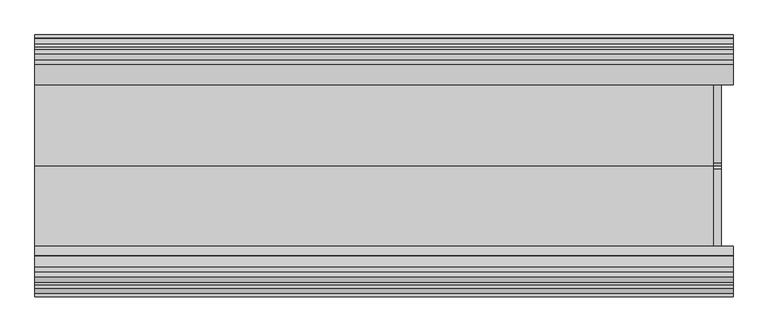
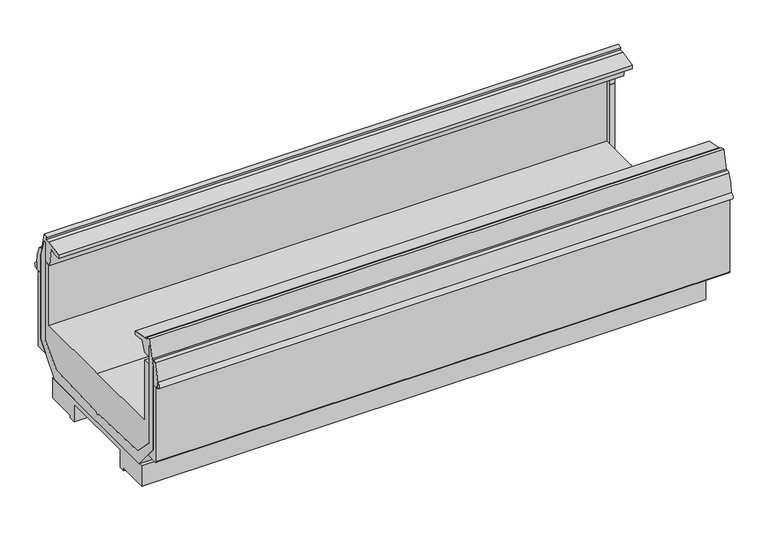
"""IFC4 building model written with IfcOpenShell, lengths in millimetres: proxy geometry."""

import ifcopenshell
import ifcopenshell.guid

model = None  # the IFC model being written
_history = None  # IfcOwnerHistory: only IFC2X3 demands one
_inside = {}  # id of a spatial element -> (the spatial element, [elements in it])
_under = {}  # id of a project, library or spatial element -> (it, [spatial elements below it])
_declared = {}  # id of a project -> (the project, [libraries it declares])
_typed = {}  # id of a type object -> (the type object, [elements of that type])
_made_of = {}  # id of a material, layer set ... -> (it, [elements and type objects made of it])


def new_model(schema):
    """Start an empty IFC model of exactly this schema.

    Asked for "IFC4X3", IfcOpenShell would pick the latest addendum, in which some entities
    have other attributes; the version numbers below select the first issue.
    IFC2X3 requires an IfcOwnerHistory on every rooted entity: one is made here for all.
    """
    global model, _history
    if schema == "IFC4X3":
        model = ifcopenshell.file(schema_version=(4, 3, 0, 0))
    else:
        model = ifcopenshell.file(schema=schema)
    _inside.clear()
    _under.clear()
    _declared.clear()
    _typed.clear()
    _made_of.clear()
    _history = None
    if model.schema == "IFC2X3":
        org = make("IfcOrganization", Name="unknown")
        user = make(
            "IfcPersonAndOrganization",
            ThePerson=make("IfcPerson", FamilyName="unknown"),
            TheOrganization=org,
        )
        app = make(
            "IfcApplication",
            ApplicationDeveloper=org,
            Version="unknown",
            ApplicationFullName="unknown",
            ApplicationIdentifier="unknown",
        )
        _history = make(
            "IfcOwnerHistory",
            OwningUser=user,
            OwningApplication=app,
            ChangeAction="ADDED",
            CreationDate=0,
        )
    return model


def make(cls, **values):
    """One entity of the class cls with the attributes given. An attribute that is None is left unset."""
    return model.create_entity(
        cls, **{name: value for name, value in values.items() if value is not None}
    )


def rooted(cls, **values):
    """An entity with a GlobalId (a new one), such as an element, a storey or a relation."""
    return make(cls, GlobalId=ifcopenshell.guid.new(), OwnerHistory=_history, **values)


def si_unit(unit_type, name, prefix=None):
    """IfcSIUnit, for example si_unit("LENGTHUNIT", "METRE", prefix="MILLI")."""
    return make("IfcSIUnit", UnitType=unit_type, Prefix=prefix, Name=name)


def assignment(units):
    """IfcUnitAssignment: the units of a project."""
    return None if units is None else make("IfcUnitAssignment", Units=units)


def point(xyz):
    """IfcCartesianPoint."""
    return None if xyz is None else make("IfcCartesianPoint", Coordinates=xyz)


def direction(xyz):
    """IfcDirection."""
    return None if xyz is None else make("IfcDirection", DirectionRatios=xyz)


def frame(location, z_axis=None, x_axis=None):
    """IfcAxis2Placement3D, a coordinate frame: its origin and axes. An axis left out is left unset."""
    return make(
        "IfcAxis2Placement3D",
        Location=point(location),
        Axis=direction(z_axis),
        RefDirection=direction(x_axis),
    )


def frame_2d(location, x_axis=None):
    """IfcAxis2Placement2D, a coordinate frame in the plane: its origin and x axis."""
    return make(
        "IfcAxis2Placement2D", Location=point(location), RefDirection=direction(x_axis)
    )


def origin():
    """The frame at (0, 0, 0) with its axes left unset."""
    return frame((0.0, 0.0, 0.0))


def origin_with_axes():
    """The frame at (0, 0, 0) with the z axis (0, 0, 1) and the x axis (1, 0, 0) written out."""
    return frame((0.0, 0.0, 0.0), z_axis=(0.0, 0.0, 1.0), x_axis=(1.0, 0.0, 0.0))


def place(relative_to, where):
    """IfcLocalPlacement: puts the frame where relative to a parent placement (None: the world)."""
    return make(
        "IfcLocalPlacement", PlacementRelTo=relative_to, RelativePlacement=where
    )


def context(
    kind, dimensions, precision=None, world=None, true_north=None, identifier=None
):
    """IfcGeometricRepresentationContext, for example the 3D "Model" context."""
    return make(
        "IfcGeometricRepresentationContext",
        ContextIdentifier=identifier,
        ContextType=kind,
        CoordinateSpaceDimension=dimensions,
        Precision=precision,
        WorldCoordinateSystem=world,
        TrueNorth=true_north,
    )


def project(units=None, contexts=None):
    """IfcProject with its units and contexts."""
    return rooted(
        "IfcProject",
        Name="project",
        RepresentationContexts=contexts,
        UnitsInContext=assignment(units),
    )


def spatial(cls, under=None, at=None, **own):
    """A site, building, storey or space (cls), placed at a placement, below another one or the project."""
    s = rooted(cls, ObjectPlacement=at, **own)
    if under is not None:
        _under.setdefault(under.id(), (under, []))[1].append(s)
    return s


def polyline(points):
    """IfcPolyline through the points."""
    return make("IfcPolyline", Points=[point(p) for p in points])


def circle_curve(where, radius):
    """IfcCircle in the frame where."""
    return make("IfcCircle", Position=where, Radius=radius)


def trimmed(basis, trim1, trim2, sense, master):
    """IfcTrimmedCurve: the piece of a basis curve between two trims."""
    return make(
        "IfcTrimmedCurve",
        BasisCurve=basis,
        Trim1=trim1,
        Trim2=trim2,
        SenseAgreement=sense,
        MasterRepresentation=master,
    )


def segment(curve, same_sense, transition):
    """IfcCompositeCurveSegment."""
    return make(
        "IfcCompositeCurveSegment",
        Transition=transition,
        SameSense=same_sense,
        ParentCurve=curve,
    )


def composite_curve(segments, self_intersect=None):
    """IfcCompositeCurve: segments joined end to end."""
    return make("IfcCompositeCurve", Segments=segments, SelfIntersect=self_intersect)


def outline(outer, holes=None, kind="AREA"):
    """IfcArbitraryClosedProfileDef: a profile drawn as a closed curve; with holes, ...WithVoids."""
    if holes is None:
        return make("IfcArbitraryClosedProfileDef", ProfileType=kind, OuterCurve=outer)
    return make(
        "IfcArbitraryProfileDefWithVoids",
        ProfileType=kind,
        OuterCurve=outer,
        InnerCurves=holes,
    )


def extrude(swept, where, along, depth):
    """IfcExtrudedAreaSolid: the profile swept, set in the frame where, extruded along a direction by depth."""
    return make(
        "IfcExtrudedAreaSolid",
        SweptArea=swept,
        Position=where,
        ExtrudedDirection=direction(along),
        Depth=depth,
    )


def shape(context_of_items, identifier, shape_type, items):
    """IfcShapeRepresentation: the items that make up one representation, for example the "Body"."""
    return make(
        "IfcShapeRepresentation",
        ContextOfItems=context_of_items,
        RepresentationIdentifier=identifier,
        RepresentationType=shape_type,
        Items=items,
    )


def source(mapping_origin, context_of_items, identifier, shape_type, items):
    """IfcRepresentationMap: a shape defined once, which mapped items show again and again."""
    return make(
        "IfcRepresentationMap",
        MappingOrigin=mapping_origin,
        MappedRepresentation=shape(context_of_items, identifier, shape_type, items),
    )


def transform(
    local_origin,
    x_axis=None,
    y_axis=None,
    z_axis=None,
    scale=None,
    scale2=None,
    scale3=None,
    uniform=True,
):
    """IfcCartesianTransformationOperator3D, or its non-uniform kind. x_axis, y_axis, z_axis: its Axis1, 2, 3."""
    if uniform:
        return make(
            "IfcCartesianTransformationOperator3D",
            Axis1=direction(x_axis),
            Axis2=direction(y_axis),
            LocalOrigin=point(local_origin),
            Scale=scale,
            Axis3=direction(z_axis),
        )
    return make(
        "IfcCartesianTransformationOperator3DnonUniform",
        Axis1=direction(x_axis),
        Axis2=direction(y_axis),
        LocalOrigin=point(local_origin),
        Scale=scale,
        Axis3=direction(z_axis),
        Scale2=scale2,
        Scale3=scale3,
    )


def mapped(mapping_source, mapping_target):
    """IfcMappedItem: shows the shape of a source again, moved by a transform."""
    return make(
        "IfcMappedItem", MappingSource=mapping_source, MappingTarget=mapping_target
    )


def made_of(thing, what):
    """Note that an element or type object is made of a material, layer set ...; save() writes the relation."""
    if what is not None:
        _made_of.setdefault(what.id(), (what, []))[1].append(thing)
    return thing


def element(
    cls,
    number,
    at=None,
    inside=None,
    cuts=None,
    type_object=None,
    material=None,
    context=None,
    identifier="Body",
    shape_type=None,
    held_by="IfcProductDefinitionShape",
    body=None,
    shapes=None,
    **own,
):
    """One element of the class cls, such as IfcWall. Its Tag is "e" and its number.

    at: its placement. inside: the storey or other place that contains it. cuts: it is an
    opening in that element (IfcRelVoidsElement). A single representation is given by context,
    identifier, shape_type and body (its items); several are given by shapes. held_by: the class
    of the entity that holds the representations. save() writes the other relations.
    """
    e = rooted(cls, Tag="e%d" % number, ObjectPlacement=at, **own)
    if body is not None:
        shapes = [shape(context, identifier, shape_type, body)]
    if shapes is not None:
        e.Representation = make(held_by, Representations=shapes)
    if inside is not None:
        _inside.setdefault(inside.id(), (inside, []))[1].append(e)
    if cuts is not None:
        rooted(
            "IfcRelVoidsElement", RelatingBuildingElement=cuts, RelatedOpeningElement=e
        )
    if type_object is not None:
        _typed.setdefault(type_object.id(), (type_object, []))[1].append(e)
    return made_of(e, material)


def aggregate(whole, parts):
    """IfcRelAggregates: a whole, such as a stair, and the parts it consists of."""
    return rooted("IfcRelAggregates", RelatingObject=whole, RelatedObjects=parts)


def save(model, path):
    """Write the relations noted so far, then the file.

    IfcRelAggregates (storeys below a building ...), IfcRelContainedInSpatialStructure (elements
    in a storey), IfcRelDefinesByType, IfcRelAssociatesMaterial and IfcRelDeclares: one each for
    every whole, place, type object, material and project.
    """
    for whole, parts in _under.values():
        aggregate(whole, parts)
    for where, things in _inside.values():
        rooted(
            "IfcRelContainedInSpatialStructure",
            RelatedElements=things,
            RelatingStructure=where,
        )
    for kind, things in _typed.values():
        rooted("IfcRelDefinesByType", RelatedObjects=things, RelatingType=kind)
    for what, things in _made_of.values():
        rooted("IfcRelAssociatesMaterial", RelatedObjects=things, RelatingMaterial=what)
    for by, libraries in _declared.values():
        rooted("IfcRelDeclares", RelatingContext=by, RelatedDefinitions=libraries)
    model.write(path)


def plane_surface(at):
    """IfcPlane: the flat surface through the origin of the frame at, square to its z axis."""
    return make("IfcPlane", Position=at)


def revolved_surface(curve, axis_point, axis_direction):
    """IfcSurfaceOfRevolution: the curve turned about the line through axis_point along axis_direction."""
    return make(
        "IfcSurfaceOfRevolution",
        SweptCurve=make("IfcArbitraryOpenProfileDef", ProfileType="CURVE", Curve=curve),
        AxisPosition=make("IfcAxis1Placement", Location=point(axis_point), Axis=direction(axis_direction)),
    )


def advanced_brep(points, edges, surfaces, faces):
    """IfcAdvancedBrep: a solid bounded by faces that lie on surfaces and meet in shared edges.

    An edge is (start, end): straight between two places in points (the first is 0);
    or (start, end, curve); or (start, end, curve, False) where it runs against its curve.
    A face is (place in surfaces, loops), or (place, loops, False) where it looks against
    its surface's normal. A loop lists edges by number (the first is 1), with a minus sign
    where the edge is run from its end to its start. The first loop is the outer one.
    """
    corners = [point(p) for p in points]
    vertices = [make("IfcVertexPoint", VertexGeometry=c) for c in corners]
    made = []
    for start, end, *more in edges:
        made.append(
            make(
                "IfcEdgeCurve",
                EdgeStart=vertices[start],
                EdgeEnd=vertices[end],
                EdgeGeometry=more[0] if more else make("IfcPolyline", Points=[corners[start], corners[end]]),
                SameSense=more[1] if len(more) > 1 else True,
            )
        )
    hull = []
    for where, loops, *sense in faces:
        bounds = []
        for j, loop in enumerate(loops):
            ring = [make("IfcOrientedEdge", EdgeElement=made[abs(k) - 1], Orientation=k > 0) for k in loop]
            bounds.append(
                make(
                    "IfcFaceOuterBound" if j == 0 else "IfcFaceBound",
                    Bound=make("IfcEdgeLoop", EdgeList=ring),
                    Orientation=True,
                )
            )
        hull.append(make("IfcAdvancedFace", Bounds=bounds, FaceSurface=surfaces[where], SameSense=sense[0] if sense else True))
    return make("IfcAdvancedBrep", Outer=make("IfcClosedShell", CfsFaces=hull))


def mechanical_equipment_d4f563e0(model_context):
    return source(origin(), model_context, "Body", "SolidModel", [
        extrude(outline(composite_curve([segment(trimmed(circle_curve(frame_2d((1524.0, -1281.6322635)), 19.05), [point((1504.95, -1281.6322635))], [point((1543.05, -1281.6322635))], False, "CARTESIAN"), True, "CONTINUOUS"), segment(trimmed(circle_curve(frame_2d((1524.0, -1281.6322635)), 19.05), [point((1543.05, -1281.6322635))], [point((1504.95, -1281.6322635))], False, "CARTESIAN"), True, "CONTINUOUS")], self_intersect=False)), origin_with_axes(), (0.0, 0.0, 1.0), 127.0),
        extrude(outline(composite_curve([segment(trimmed(circle_curve(frame_2d((2895.6, -1164.9510135)), 11.1125), [point((2884.4875, -1164.9510135))], [point((2906.7125, -1164.9510135))], False, "CARTESIAN"), True, "CONTINUOUS"), segment(trimmed(circle_curve(frame_2d((2895.6, -1164.9510135)), 11.1125), [point((2906.7125, -1164.9510135))], [point((2884.4875, -1164.9510135))], False, "CARTESIAN"), True, "CONTINUOUS")], self_intersect=False)), origin_with_axes(), (0.0, 0.0, 1.0), 127.0),
        extrude(outline(composite_curve([segment(trimmed(circle_curve(frame_2d((2870.2, -1164.9510135)), 4.7625), [point((2865.4375, -1164.9510135))], [point((2874.9625, -1164.9510135))], False, "CARTESIAN"), True, "CONTINUOUS"), segment(trimmed(circle_curve(frame_2d((2870.2, -1164.9510135)), 4.7625), [point((2874.9625, -1164.9510135))], [point((2865.4375, -1164.9510135))], False, "CARTESIAN"), True, "CONTINUOUS")], self_intersect=False)), origin_with_axes(), (0.0, 0.0, 1.0), 127.0),
        extrude(outline(polyline([(-1408.0824708, 846.9650015), (-1399.567809, 846.9650015), (-1399.567809, 298.2301562), (-1293.5698661, 190.5), (-935.3372007, 177.5337806), (-920.5071273, 163.4842373), (-905.6770539, 177.5337806), (-547.4443885, 190.5), (-441.4464456, 298.2301562), (-441.4464456, 846.9650015), (-432.9317838, 846.9650015), (-414.7836621, 789.5616491), (-403.0848407, 752.5577332), (-403.0848407, 282.2978872), (-449.8127732, 226.1000374), (-532.2134322, 127.0), (-1308.8008224, 127.0), (-1391.2014814, 226.1000374), (-1437.9294139, 282.2978872), (-1437.9294139, 752.5577332), (-1426.2305925, 789.5616491), (-1408.0824708, 846.9650015)])), frame((0.0, 0.0, 0.0), z_axis=(1.0, 0.0, 0.0), x_axis=(0.0, 1.0, 0.0)), (0.0, 0.0, 1.0), 2995.4530658),
        advanced_brep(
        [(2995.4530658, -674.1127687, 14.2875), (2995.4530658, -511.3940187, 14.2875), (2995.4530658, -511.3940187, 127.0), (2995.4530658, -1329.6202359, 127.0), (2995.4530658, -1329.6202359, 14.2875), (2995.4530658, -1166.9014859, 14.2875), (2995.4530658, -1166.9014859, 0.0), (2995.4530658, -1131.4595591, 0.0), (2995.4530658, -1131.4595591, 97.6237021), (2995.4530658, -709.5546955, 97.6237021), (2995.4530658, -709.5546955, 0.0), (2995.4530658, -674.1127687, 0.0), (0.0, -674.1127687, 14.2875), (0.0, -674.1127687, 0.0), (0.0, -709.5546955, 0.0), (0.0, -709.5546955, 97.6237021), (0.0, -1131.4595591, 97.6237021), (0.0, -1131.4595591, 0.0), (0.0, -1166.9014859, 0.0), (0.0, -1166.9014859, 14.2875), (0.0, -1329.6202359, 14.2875), (0.0, -1329.6202359, 127.0), (0.0, -511.3940187, 127.0), (0.0, -511.3940187, 14.2875), (2914.65, -1164.9821273, 127.0), (2851.15, -1164.9821273, 127.0), (1549.4, -1281.6322635, 127.0), (1498.6, -1281.6322635, 127.0), (103.4796338, -1271.1776769, 127.0), (287.6296338, -1271.1776769, 127.0), (287.6296338, -1312.95589, 127.0), (103.4796338, -1312.95589, 127.0), (2851.2080679, -1166.9014859, 14.2875), (2914.5919321, -1166.9014859, 14.2875), (1498.6, -1281.6322635, 14.2875), (1549.4, -1281.6322635, 14.2875), (287.6296338, -1271.1776769, 14.2875), (103.4796338, -1271.1776769, 14.2875), (103.4796338, -1312.95589, 14.2875), (287.6296338, -1312.95589, 14.2875), (2914.5919321, -1166.9014859, 0.0), (2851.2080679, -1166.9014859, 0.0), (2914.65, -1164.9821273, 0.0), (2851.15, -1164.9821273, 0.0)],
        [
            (0, 1),
            (1, 2),
            (2, 3),
            (3, 4),
            (4, 5),
            (5, 6),
            (6, 7),
            (7, 8),
            (8, 9),
            (9, 10),
            (10, 11),
            (11, 0),
            (12, 13),
            (13, 14),
            (14, 15),
            (15, 16),
            (16, 17),
            (17, 18),
            (18, 19),
            (19, 20),
            (20, 21),
            (21, 22),
            (22, 23),
            (23, 12),
            (0, 12),
            (23, 1),
            (22, 2),
            (21, 3),
            (24, 25, circle_curve(frame((2882.9, -1164.9821273, 127.0), z_axis=(0.0, 0.0, -1.0), x_axis=(1.0, 0.0, 0.0)), 31.75)),
            (25, 24, circle_curve(frame((2882.9, -1164.9821273, 127.0), z_axis=(0.0, 0.0, -1.0), x_axis=(1.0, 0.0, 0.0)), 31.75)),
            (26, 27, circle_curve(frame((1524.0, -1281.6322635, 127.0), z_axis=(0.0, 0.0, -1.0), x_axis=(1.0, 0.0, 0.0)), 25.4)),
            (27, 26, circle_curve(frame((1524.0, -1281.6322635, 127.0), z_axis=(0.0, 0.0, -1.0), x_axis=(1.0, 0.0, 0.0)), 25.4)),
            (28, 29),
            (29, 30),
            (30, 31),
            (31, 28),
            (20, 4),
            (19, 32),
            (32, 33, circle_curve(frame((2882.9, -1164.9821273, 14.2875), z_axis=(0.0, 0.0, 1.0), x_axis=(1.0, 0.0, 0.0)), 31.75)),
            (33, 5),
            (34, 35, circle_curve(frame((1524.0, -1281.6322635, 14.2875), z_axis=(0.0, 0.0, 1.0), x_axis=(1.0, 0.0, 0.0)), 25.4)),
            (35, 34, circle_curve(frame((1524.0, -1281.6322635, 14.2875), z_axis=(0.0, 0.0, 1.0), x_axis=(1.0, 0.0, 0.0)), 25.4)),
            (36, 37),
            (37, 38),
            (38, 39),
            (39, 36),
            (33, 40),
            (40, 6),
            (18, 41),
            (41, 32),
            (40, 42, circle_curve(frame((2882.9, -1164.9821273, 0.0), z_axis=(0.0, 0.0, 1.0), x_axis=(1.0, 0.0, 0.0)), 31.75)),
            (42, 43, circle_curve(frame((2882.9, -1164.9821273, 0.0), z_axis=(0.0, 0.0, 1.0), x_axis=(1.0, 0.0, 0.0)), 31.75)),
            (43, 41, circle_curve(frame((2882.9, -1164.9821273, 0.0), z_axis=(0.0, 0.0, 1.0), x_axis=(1.0, 0.0, 0.0)), 31.75)),
            (17, 7),
            (16, 8),
            (15, 9),
            (14, 10),
            (13, 11),
            (24, 42),
            (43, 25),
            (34, 27),
            (26, 35),
            (36, 29),
            (28, 37),
            (31, 38),
            (30, 39),
        ],
        [
            plane_surface(frame((2995.4530658, -511.3940187, 14.2875), z_axis=(1.0, 0.0, 0.0), x_axis=(0.0, 1.0, 0.0))),
            plane_surface(frame((0.0, -511.3940187, 14.2875), z_axis=(-1.0, 0.0, 0.0), x_axis=(0.0, -1.0, 0.0))),
            plane_surface(frame((2995.4530658, -674.1127687, 14.2875), z_axis=(0.0, 0.0, -1.0), x_axis=(-1.0, 0.0, 0.0))),
            plane_surface(frame((2995.4530658, -511.3940187, 14.2875), z_axis=(0.0, 1.0, 0.0), x_axis=(-1.0, 0.0, 0.0))),
            plane_surface(frame((2995.4530658, -511.3940187, 127.0), z_axis=(0.0, 0.0, 1.0), x_axis=(-1.0, 0.0, 0.0))),
            plane_surface(frame((2995.4530658, -1329.6202359, 127.0), z_axis=(0.0, -1.0, 0.0), x_axis=(-1.0, 0.0, 0.0))),
            plane_surface(frame((2995.4530658, -1329.6202359, 14.2875), z_axis=(0.0, 0.0, -1.0), x_axis=(-1.0, 0.0, 0.0))),
            plane_surface(frame((2995.4530658, -1166.9014859, 14.2875), z_axis=(0.0, -1.0, 0.0), x_axis=(-1.0, 0.0, 0.0))),
            plane_surface(frame((2995.4530658, -1166.9014859, 0.0), z_axis=(0.0, 0.0, -1.0), x_axis=(-1.0, 0.0, 0.0))),
            plane_surface(frame((2995.4530658, -1131.4595591, 0.0), z_axis=(0.0, 1.0, 0.0), x_axis=(-1.0, 0.0, 0.0))),
            plane_surface(frame((2995.4530658, -1131.4595591, 97.6237021), z_axis=(0.0, 0.0, -1.0), x_axis=(-1.0, 0.0, 0.0))),
            plane_surface(frame((2995.4530658, -709.5546955, 97.6237021), z_axis=(0.0, -1.0, 0.0), x_axis=(-1.0, 0.0, 0.0))),
            plane_surface(frame((2995.4530658, -709.5546955, 0.0), z_axis=(0.0, 0.0, -1.0), x_axis=(-1.0, 0.0, 0.0))),
            plane_surface(frame((2995.4530658, -674.1127687, 0.0), z_axis=(0.0, 1.0, 0.0), x_axis=(-1.0, 0.0, 0.0))),
            revolved_surface(polyline([(2914.65, -1164.9821273, 127.0), (2914.65, -1164.9821273, 0.0)]), (2882.9, -1164.9821273, 0.0), (0.0, 0.0, 1.0)),
            revolved_surface(polyline([(1549.4, -1281.6322635, 127.0), (1549.4, -1281.6322635, 14.2875)]), (1524.0, -1281.6322635, 0.0), (0.0, 0.0, 1.0)),
            plane_surface(frame((287.6296338, -1271.1776769, 127.0), z_axis=(0.0, -1.0, 0.0), x_axis=(0.0, 0.0, -1.0))),
            plane_surface(frame((103.4796338, -1271.1776769, 127.0), z_axis=(1.0, 0.0, 0.0), x_axis=(0.0, 0.0, -1.0))),
            plane_surface(frame((103.4796338, -1312.95589, 127.0), z_axis=(0.0, 1.0, 0.0), x_axis=(0.0, 0.0, -1.0))),
            plane_surface(frame((287.6296338, -1312.95589, 127.0), z_axis=(-1.0, 0.0, 0.0), x_axis=(0.0, 0.0, -1.0))),
        ],
        [
            (0, [[1, 2, 3, 4, 5, 6, 7, 8, 9, 10, 11, 12]]),
            (1, [[13, 14, 15, 16, 17, 18, 19, 20, 21, 22, 23, 24]]),
            (2, [[-1, 25, -24, 26]]),
            (3, [[-2, -26, -23, 27]]),
            (4, [[-3, -27, -22, 28], [29, 30], [31, 32], [33, 34, 35, 36]]),
            (5, [[-4, -28, -21, 37]]),
            (6, [[-5, -37, -20, 38, 39, 40], [41, 42], [43, 44, 45, 46]]),
            (7, [[-6, -40, 47, 48]]),
            (7, [[-19, 49, 50, -38]]),
            (8, [[-7, -48, 51, 52, 53, -49, -18, 54]]),
            (9, [[-8, -54, -17, 55]]),
            (10, [[-9, -55, -16, 56]]),
            (11, [[-10, -56, -15, 57]]),
            (12, [[-11, -57, -14, 58]]),
            (13, [[-12, -58, -13, -25]]),
            (14, [[59, -51, -47, -39, -50, -53, 60, -29]]),
            (14, [[-59, -30, -60, -52]]),
            (15, [[61, -31, 62, -41]]),
            (15, [[-61, -42, -62, -32]]),
            (16, [[63, -33, 64, -43]]),
            (17, [[-64, -36, 65, -44]]),
            (18, [[-65, -35, 66, -45]]),
            (19, [[-63, -46, -66, -34]]),
        ],
    ),
        extrude(outline(composite_curve([segment(trimmed(circle_curve(frame_2d((-1475.2128764, 668.6836472)), 16.385947), [point((-1474.9354385, 652.3000491))], [point((-1476.5812122, 685.0123617))], False, "CARTESIAN"), True, "CONTINUOUS"), segment(polyline([(-1476.5812122, 685.0123617), (-1474.9354385, 652.3000491)]), True, "CONTINUOUS")], self_intersect=False)), frame((0.0, 0.0, 0.0), z_axis=(1.0, 0.0, 0.0), x_axis=(0.0, 1.0, 0.0)), (0.0, 0.0, 1.0), 3048.0),
        extrude(outline(composite_curve([segment(trimmed(circle_curve(frame_2d((-364.6624647, 668.6836472)), 16.385947), [point((-363.2941289, 685.0123617))], [point((-364.9399026, 652.3000491))], False, "CARTESIAN"), True, "CONTINUOUS"), segment(polyline([(-364.9399026, 652.3000491), (-363.2941289, 685.0123617)]), True, "CONTINUOUS")], self_intersect=False)), frame((0.0, 0.0, 0.0), z_axis=(1.0, 0.0, 0.0), x_axis=(0.0, 1.0, 0.0)), (0.0, 0.0, 1.0), 3048.0),
        extrude(outline(polyline([(-1359.0465206, 400.4769946), (-920.5071273, 400.4769946), (-477.6538206, 400.4769946), (-477.6538206, 740.5783627), (-441.4253902, 740.5783627), (-441.4253902, 298.2301562), (-547.4443885, 190.5), (-905.6770539, 177.5337806), (-920.5071273, 163.4842373), (-935.3372007, 177.5337806), (-1293.5698661, 190.5), (-1399.5888644, 298.2301562), (-1399.5888644, 740.5783627), (-1359.0465206, 740.5783627), (-1359.0465206, 400.4769946)])), frame((0.0, 0.0, 0.0), z_axis=(1.0, 0.0, 0.0), x_axis=(0.0, 1.0, 0.0)), (0.0, 0.0, 1.0), 2961.3241488),
        extrude(outline(polyline([(-433.0243559, 887.4125), (-411.4627088, 789.657109), (-414.8047174, 789.657109), (-432.9317838, 846.9650015), (-441.4464456, 846.9650015), (-441.4464456, 740.6738226), (-477.6538206, 740.6738226), (-483.7018711, 739.7468283), (-499.0945099, 840.1740491), (-524.2013151, 836.3258894), (-523.6195703, 832.5303734), (-565.5226642, 830.5906971), (-565.9959079, 850.4904961), (-476.7745606, 868.6687252), (-454.3862445, 868.9264651), (-456.423295, 882.2514581), (-433.0243559, 887.4125)])), frame((0.0, 0.0, 0.0), z_axis=(1.0, 0.0, 0.0), x_axis=(0.0, 1.0, 0.0)), (0.0, 0.0, 1.0), 3048.0),
        extrude(outline(polyline([(-1270.7170124, 850.4904961), (-1271.190256, 830.5906971), (-1311.2730514, 832.3547995), (-1312.9684692, 834.2711206), (-1312.9233076, 836.5465811), (-1337.2067079, 839.7624376), (-1359.0465206, 783.4062069), (-1399.5803882, 783.4062069), (-1399.5803882, 846.9650015), (-1408.0824708, 846.9650015), (-1426.2305925, 789.5616491), (-1428.4336876, 789.5616491), (-1406.7588576, 887.830185), (-1383.4262575, 882.5024341), (-1385.4960978, 868.9629523), (-1359.9383596, 868.6687252), (-1270.7170124, 850.4904961)])), frame((0.0, 0.0, 0.0), z_axis=(1.0, 0.0, 0.0), x_axis=(0.0, 1.0, 0.0)), (0.0, 0.0, 1.0), 3048.0),
        extrude(outline(composite_curve([segment(polyline([(-1459.4414385, 650.7252491), (-1473.3606385, 650.7252491), (-1474.9354385, 652.3000491), (-1476.5812122, 685.0123617)]), True, "CONTINUOUS"), segment(trimmed(circle_curve(frame_2d((-1222.8280036, 673.8182058)), 254.0), [point((-1476.5812122, 685.0123617))], [point((-1453.4101777, 780.3445453))], False, "CARTESIAN"), True, "CONTINUOUS"), segment(trimmed(circle_curve(frame_2d((-1438.9987918, 773.6866491)), 15.875), [point((-1453.4101777, 780.3445453))], [point((-1438.9987918, 789.5616491))], False, "CARTESIAN"), True, "CONTINUOUS"), segment(polyline([(-1438.9987918, 789.5616491), (-1426.2305925, 789.5616491), (-1437.9162448, 752.5993877), (-1437.9294139, 650.7252491), (-1459.4414385, 650.7252491)]), True, "CONTINUOUS")], self_intersect=False)), frame((0.0, 0.0, 0.0), z_axis=(1.0, 0.0, 0.0), x_axis=(0.0, 1.0, 0.0)), (0.0, 0.0, 1.0), 3048.0),
        extrude(outline(composite_curve([segment(polyline([(-380.4470717, 650.7252491), (-403.0980098, 650.7252491), (-403.0980098, 752.5993877), (-414.7836621, 789.5616491), (-400.8765493, 789.5616491)]), True, "CONTINUOUS"), segment(trimmed(circle_curve(frame_2d((-400.8765493, 773.6866491)), 15.875), [point((-400.8765493, 789.5616491))], [point((-386.4651634, 780.3445453))], False, "CARTESIAN"), True, "CONTINUOUS"), segment(trimmed(circle_curve(frame_2d((-617.0473375, 673.8182058)), 254.0), [point((-386.4651634, 780.3445453))], [point((-363.2941289, 685.0123617))], False, "CARTESIAN"), True, "CONTINUOUS"), segment(polyline([(-363.2941289, 685.0123617), (-364.9530717, 652.3000491), (-366.5278717, 650.7252491), (-380.4470717, 650.7252491)]), True, "CONTINUOUS")], self_intersect=False)), frame((0.0, 0.0, 0.0), z_axis=(1.0, 0.0, 0.0), x_axis=(0.0, 1.0, 0.0)), (0.0, 0.0, 1.0), 3048.0),
        extrude(outline(composite_curve([segment(polyline([(-1437.9294139, 282.2978872), (-1391.2014814, 226.1000374), (-1457.0601885, 226.1000374)]), True, "CONTINUOUS"), segment(trimmed(circle_curve(frame_2d((-1457.0601885, 228.4812874)), 2.38125), [point((-1457.0601885, 226.1000374))], [point((-1459.4414385, 228.4812874))], False, "CARTESIAN"), True, "CONTINUOUS"), segment(polyline([(-1459.4414385, 228.4812874), (-1459.4414385, 650.7252491), (-1437.9294139, 650.7252491), (-1437.9294139, 282.2978872)]), True, "CONTINUOUS")], self_intersect=False)), frame((0.0, 0.0, 0.0), z_axis=(1.0, 0.0, 0.0), x_axis=(0.0, 1.0, 0.0)), (0.0, 0.0, 1.0), 3048.0),
        extrude(outline(composite_curve([segment(polyline([(-403.0848407, 282.2978872), (-403.0848407, 650.7252491), (-380.4339026, 650.7252491), (-380.4339026, 228.4812874)]), True, "CONTINUOUS"), segment(trimmed(circle_curve(frame_2d((-382.8151526, 228.4812874)), 2.38125), [point((-380.4339026, 228.4812874))], [point((-382.8151526, 226.1000374))], False, "CARTESIAN"), True, "CONTINUOUS"), segment(polyline([(-382.8151526, 226.1000374), (-449.8127732, 226.1000374), (-403.0848407, 282.2978872)]), True, "CONTINUOUS")], self_intersect=False)), frame((0.0, 0.0, 0.0), z_axis=(1.0, 0.0, 0.0), x_axis=(0.0, 1.0, 0.0)), (0.0, 0.0, 1.0), 3048.0),
    ])


if __name__ == "__main__":
    model = new_model("IFC4")
    model_context = context("Model", 3, world=origin())
    ifc_project = project(units=[si_unit("LENGTHUNIT", "METRE", prefix="MILLI")], contexts=[model_context])
    site = spatial("IfcSite", under=ifc_project)
    building = spatial("IfcBuilding", under=site)
    placement = place(None, origin())
    mechanical_equipment_shape = mechanical_equipment_d4f563e0(model_context)
    element("IfcBuildingElementProxy", 1, Name="Mechanical Equipment", at=placement, inside=building, context=model_context, shape_type="MappedRepresentation", body=[
        mapped(mechanical_equipment_shape, transform((0.0, 0.0, 0.0), x_axis=(1.0, 0.0, 0.0), y_axis=(0.0, 1.0, 0.0), z_axis=(0.0, 0.0, 1.0))),
    ])
    save(model, "model.ifc")
